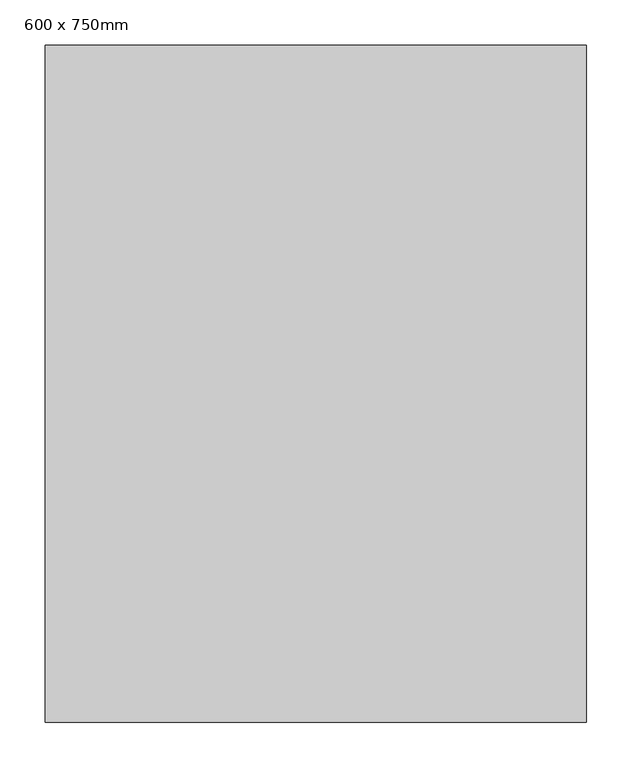
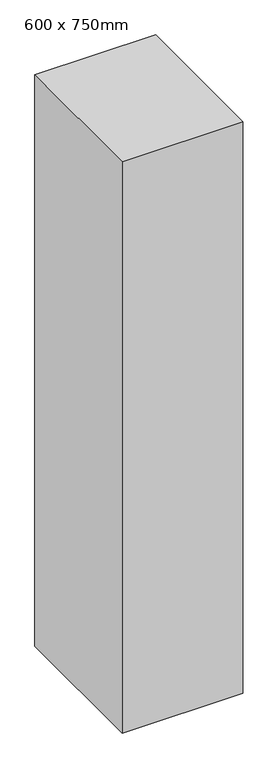
"""IFC4 building model written with IfcOpenShell, lengths in millimetres: column geometry, 600 x 750mm."""

from ifc_helpers import new_model, si_unit, origin, origin_with_axes, place, context, project, spatial, polyline, outline, extrude, source, transform, mapped, element, save


def column_600_x_750mm_3019e928(model_context):
    return source(origin(), model_context, "Body", "SweptSolid", [
        extrude(outline(polyline([(300.0, 375.0), (300.0, -375.0), (-300.0, -375.0), (-300.0, 375.0), (300.0, 375.0)])), origin_with_axes(), (0.0, 0.0, 1.0), 3000.0),
    ])


if __name__ == "__main__":
    model = new_model("IFC4")
    model_context = context("Model", 3, world=origin())
    ifc_project = project(units=[si_unit("LENGTHUNIT", "METRE", prefix="MILLI")], contexts=[model_context])
    site = spatial("IfcSite", under=ifc_project)
    building = spatial("IfcBuilding", under=site)
    placement = place(None, origin())
    column_600_x_750mm_shape = column_600_x_750mm_3019e928(model_context)
    element("IfcColumn", 1, ObjectType="600 x 750mm", at=placement, inside=building, context=model_context, shape_type="MappedRepresentation", body=[
        mapped(column_600_x_750mm_shape, transform((0.0, 0.0, 0.0), x_axis=(1.0, 0.0, 0.0), y_axis=(0.0, 1.0, 0.0), z_axis=(0.0, 0.0, 1.0))),
    ])
    save(model, "model.ifc")
